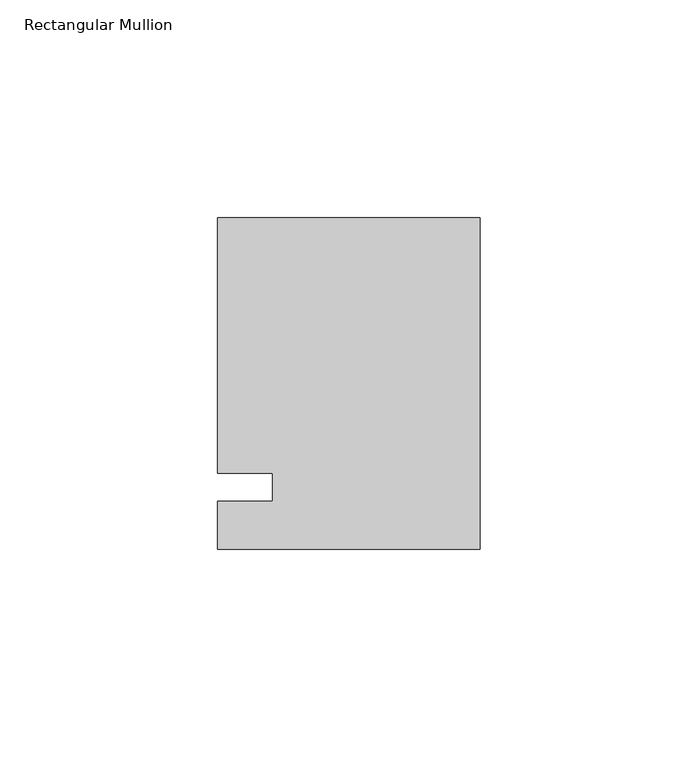
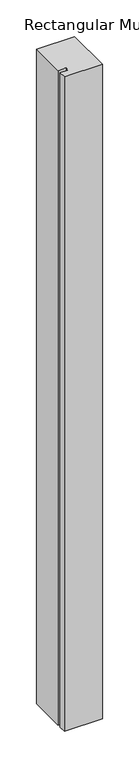
"""IFC4 building model written with IfcOpenShell, lengths in millimetres: member geometry, Rectangular Mullion."""

import ifcopenshell
import ifcopenshell.guid

model = None  # the IFC model being written
_history = None  # IfcOwnerHistory: only IFC2X3 demands one
_inside = {}  # id of a spatial element -> (the spatial element, [elements in it])
_under = {}  # id of a project, library or spatial element -> (it, [spatial elements below it])
_declared = {}  # id of a project -> (the project, [libraries it declares])
_typed = {}  # id of a type object -> (the type object, [elements of that type])
_made_of = {}  # id of a material, layer set ... -> (it, [elements and type objects made of it])


def new_model(schema):
    """Start an empty IFC model of exactly this schema.

    Asked for "IFC4X3", IfcOpenShell would pick the latest addendum, in which some entities
    have other attributes; the version numbers below select the first issue.
    IFC2X3 requires an IfcOwnerHistory on every rooted entity: one is made here for all.
    """
    global model, _history
    if schema == "IFC4X3":
        model = ifcopenshell.file(schema_version=(4, 3, 0, 0))
    else:
        model = ifcopenshell.file(schema=schema)
    _inside.clear()
    _under.clear()
    _declared.clear()
    _typed.clear()
    _made_of.clear()
    _history = None
    if model.schema == "IFC2X3":
        org = make("IfcOrganization", Name="unknown")
        user = make(
            "IfcPersonAndOrganization",
            ThePerson=make("IfcPerson", FamilyName="unknown"),
            TheOrganization=org,
        )
        app = make(
            "IfcApplication",
            ApplicationDeveloper=org,
            Version="unknown",
            ApplicationFullName="unknown",
            ApplicationIdentifier="unknown",
        )
        _history = make(
            "IfcOwnerHistory",
            OwningUser=user,
            OwningApplication=app,
            ChangeAction="ADDED",
            CreationDate=0,
        )
    return model


def make(cls, **values):
    """One entity of the class cls with the attributes given. An attribute that is None is left unset."""
    return model.create_entity(
        cls, **{name: value for name, value in values.items() if value is not None}
    )


def rooted(cls, **values):
    """An entity with a GlobalId (a new one), such as an element, a storey or a relation."""
    return make(cls, GlobalId=ifcopenshell.guid.new(), OwnerHistory=_history, **values)


def si_unit(unit_type, name, prefix=None):
    """IfcSIUnit, for example si_unit("LENGTHUNIT", "METRE", prefix="MILLI")."""
    return make("IfcSIUnit", UnitType=unit_type, Prefix=prefix, Name=name)


def assignment(units):
    """IfcUnitAssignment: the units of a project."""
    return None if units is None else make("IfcUnitAssignment", Units=units)


def point(xyz):
    """IfcCartesianPoint."""
    return None if xyz is None else make("IfcCartesianPoint", Coordinates=xyz)


def direction(xyz):
    """IfcDirection."""
    return None if xyz is None else make("IfcDirection", DirectionRatios=xyz)


def frame(location, z_axis=None, x_axis=None):
    """IfcAxis2Placement3D, a coordinate frame: its origin and axes. An axis left out is left unset."""
    return make(
        "IfcAxis2Placement3D",
        Location=point(location),
        Axis=direction(z_axis),
        RefDirection=direction(x_axis),
    )


def origin():
    """The frame at (0, 0, 0) with its axes left unset."""
    return frame((0.0, 0.0, 0.0))


def place(relative_to, where):
    """IfcLocalPlacement: puts the frame where relative to a parent placement (None: the world)."""
    return make(
        "IfcLocalPlacement", PlacementRelTo=relative_to, RelativePlacement=where
    )


def context(
    kind, dimensions, precision=None, world=None, true_north=None, identifier=None
):
    """IfcGeometricRepresentationContext, for example the 3D "Model" context."""
    return make(
        "IfcGeometricRepresentationContext",
        ContextIdentifier=identifier,
        ContextType=kind,
        CoordinateSpaceDimension=dimensions,
        Precision=precision,
        WorldCoordinateSystem=world,
        TrueNorth=true_north,
    )


def project(units=None, contexts=None):
    """IfcProject with its units and contexts."""
    return rooted(
        "IfcProject",
        Name="project",
        RepresentationContexts=contexts,
        UnitsInContext=assignment(units),
    )


def spatial(cls, under=None, at=None, **own):
    """A site, building, storey or space (cls), placed at a placement, below another one or the project."""
    s = rooted(cls, ObjectPlacement=at, **own)
    if under is not None:
        _under.setdefault(under.id(), (under, []))[1].append(s)
    return s


def polyline(points):
    """IfcPolyline through the points."""
    return make("IfcPolyline", Points=[point(p) for p in points])


def outline(outer, holes=None, kind="AREA"):
    """IfcArbitraryClosedProfileDef: a profile drawn as a closed curve; with holes, ...WithVoids."""
    if holes is None:
        return make("IfcArbitraryClosedProfileDef", ProfileType=kind, OuterCurve=outer)
    return make(
        "IfcArbitraryProfileDefWithVoids",
        ProfileType=kind,
        OuterCurve=outer,
        InnerCurves=holes,
    )


def extrude(swept, where, along, depth):
    """IfcExtrudedAreaSolid: the profile swept, set in the frame where, extruded along a direction by depth."""
    return make(
        "IfcExtrudedAreaSolid",
        SweptArea=swept,
        Position=where,
        ExtrudedDirection=direction(along),
        Depth=depth,
    )


def shape(context_of_items, identifier, shape_type, items):
    """IfcShapeRepresentation: the items that make up one representation, for example the "Body"."""
    return make(
        "IfcShapeRepresentation",
        ContextOfItems=context_of_items,
        RepresentationIdentifier=identifier,
        RepresentationType=shape_type,
        Items=items,
    )


def source(mapping_origin, context_of_items, identifier, shape_type, items):
    """IfcRepresentationMap: a shape defined once, which mapped items show again and again."""
    return make(
        "IfcRepresentationMap",
        MappingOrigin=mapping_origin,
        MappedRepresentation=shape(context_of_items, identifier, shape_type, items),
    )


def transform(
    local_origin,
    x_axis=None,
    y_axis=None,
    z_axis=None,
    scale=None,
    scale2=None,
    scale3=None,
    uniform=True,
):
    """IfcCartesianTransformationOperator3D, or its non-uniform kind. x_axis, y_axis, z_axis: its Axis1, 2, 3."""
    if uniform:
        return make(
            "IfcCartesianTransformationOperator3D",
            Axis1=direction(x_axis),
            Axis2=direction(y_axis),
            LocalOrigin=point(local_origin),
            Scale=scale,
            Axis3=direction(z_axis),
        )
    return make(
        "IfcCartesianTransformationOperator3DnonUniform",
        Axis1=direction(x_axis),
        Axis2=direction(y_axis),
        LocalOrigin=point(local_origin),
        Scale=scale,
        Axis3=direction(z_axis),
        Scale2=scale2,
        Scale3=scale3,
    )


def mapped(mapping_source, mapping_target):
    """IfcMappedItem: shows the shape of a source again, moved by a transform."""
    return make(
        "IfcMappedItem", MappingSource=mapping_source, MappingTarget=mapping_target
    )


def made_of(thing, what):
    """Note that an element or type object is made of a material, layer set ...; save() writes the relation."""
    if what is not None:
        _made_of.setdefault(what.id(), (what, []))[1].append(thing)
    return thing


def element(
    cls,
    number,
    at=None,
    inside=None,
    cuts=None,
    type_object=None,
    material=None,
    context=None,
    identifier="Body",
    shape_type=None,
    held_by="IfcProductDefinitionShape",
    body=None,
    shapes=None,
    **own,
):
    """One element of the class cls, such as IfcWall. Its Tag is "e" and its number.

    at: its placement. inside: the storey or other place that contains it. cuts: it is an
    opening in that element (IfcRelVoidsElement). A single representation is given by context,
    identifier, shape_type and body (its items); several are given by shapes. held_by: the class
    of the entity that holds the representations. save() writes the other relations.
    """
    e = rooted(cls, Tag="e%d" % number, ObjectPlacement=at, **own)
    if body is not None:
        shapes = [shape(context, identifier, shape_type, body)]
    if shapes is not None:
        e.Representation = make(held_by, Representations=shapes)
    if inside is not None:
        _inside.setdefault(inside.id(), (inside, []))[1].append(e)
    if cuts is not None:
        rooted(
            "IfcRelVoidsElement", RelatingBuildingElement=cuts, RelatedOpeningElement=e
        )
    if type_object is not None:
        _typed.setdefault(type_object.id(), (type_object, []))[1].append(e)
    return made_of(e, material)


def aggregate(whole, parts):
    """IfcRelAggregates: a whole, such as a stair, and the parts it consists of."""
    return rooted("IfcRelAggregates", RelatingObject=whole, RelatedObjects=parts)


def save(model, path):
    """Write the relations noted so far, then the file.

    IfcRelAggregates (storeys below a building ...), IfcRelContainedInSpatialStructure (elements
    in a storey), IfcRelDefinesByType, IfcRelAssociatesMaterial and IfcRelDeclares: one each for
    every whole, place, type object, material and project.
    """
    for whole, parts in _under.values():
        aggregate(whole, parts)
    for where, things in _inside.values():
        rooted(
            "IfcRelContainedInSpatialStructure",
            RelatedElements=things,
            RelatingStructure=where,
        )
    for kind, things in _typed.values():
        rooted("IfcRelDefinesByType", RelatedObjects=things, RelatingType=kind)
    for what, things in _made_of.values():
        rooted("IfcRelAssociatesMaterial", RelatedObjects=things, RelatingMaterial=what)
    for by, libraries in _declared.values():
        rooted("IfcRelDeclares", RelatingContext=by, RelatedDefinitions=libraries)
    model.write(path)


def rectangular_mullion_1d84f677(model_context):
    return source(origin(), model_context, "Body", "SweptSolid", [
        extrude(outline(polyline([(-60.325, 61.9125), (0.0, 61.9125), (0.0, -14.2875), (-60.325, -14.2875), (-60.325, -3.175), (-47.625, -3.175), (-47.625, 3.175), (-60.325, 3.175), (-60.325, 61.9125)])), frame((0.0, 0.0, -1091.0405973), z_axis=(0.0, 0.0, 1.0), x_axis=(1.0, 0.0, 0.0)), (0.0, 0.0, 1.0), 1091.0405973),
    ])


if __name__ == "__main__":
    model = new_model("IFC4")
    model_context = context("Model", 3, world=origin())
    ifc_project = project(units=[si_unit("LENGTHUNIT", "METRE", prefix="MILLI")], contexts=[model_context])
    site = spatial("IfcSite", under=ifc_project)
    building = spatial("IfcBuilding", under=site)
    placement = place(None, origin())
    rectangular_mullion_shape = rectangular_mullion_1d84f677(model_context)
    element("IfcMember", 1, ObjectType="Rectangular Mullion", at=placement, inside=building, context=model_context, shape_type="MappedRepresentation", body=[
        mapped(rectangular_mullion_shape, transform((0.0, 0.0, 0.0), x_axis=(1.0, 0.0, 0.0), y_axis=(0.0, 1.0, 0.0), z_axis=(0.0, 0.0, 1.0))),
    ])
    save(model, "model.ifc")
